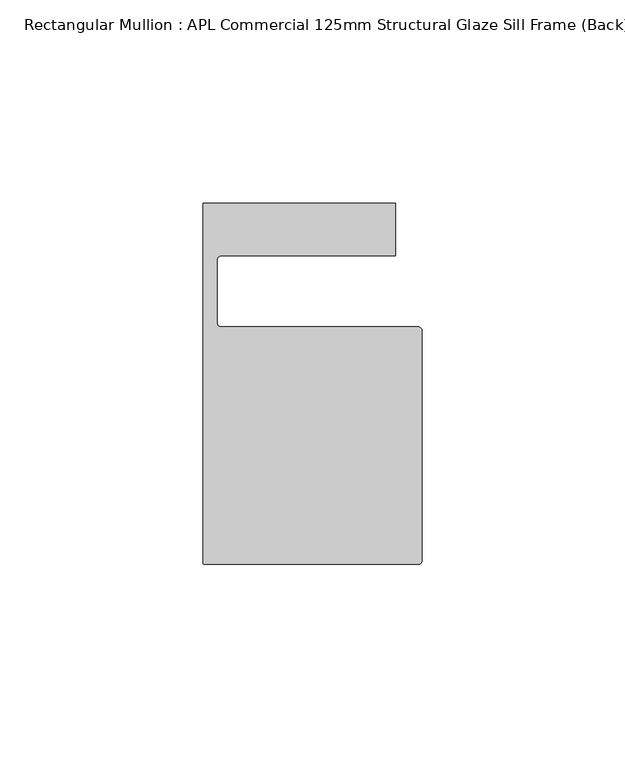
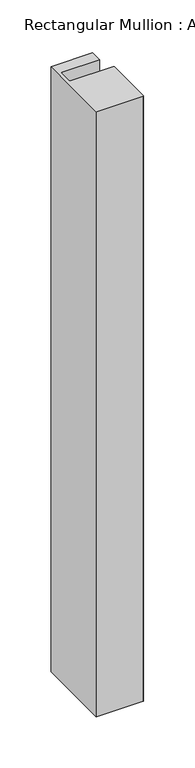
"""IFC4 building model written with IfcOpenShell, lengths in millimetres: member geometry, Rectangular Mullion : APL Commercial 125mm Structural Glaze Sill Frame (Back)."""

from ifc_helpers import new_model, si_unit, frame, origin, place, context, project, spatial, polyline, circle_curve, source, transform, mapped, element, save
from ifc_brep_helpers import plane_surface, cylinder_surface, revolved_surface, advanced_brep


def rectangular_mullion_apl_commercial_125mm_structural_glaze_08cef2cd(model_context):
    return source(origin(), model_context, "Body", "AdvancedBrep", [
        advanced_brep(
        [(-53.5000029, -104.0, 0.0), (-1.0000025, -104.0, 0.0), (-2.5e-06, -103.0, 0.0), (0.0, -46.5010268, 0.0), (-1.0, -45.5010268, 0.0), (-49.5000004, -45.5010268, 0.0), (-50.5000004, -44.5010268, 0.0), (-50.5000029, -29.0004332, 0.0), (-49.5000029, -28.0004332, 0.0), (-6.5000029, -28.0004332, 0.0), (-6.5000029, -15.0004332, 0.0), (-54.0000029, -15.0004332, 0.0), (-54.0000029, -103.5, 0.0), (-53.5000029, -104.0, -724.000019), (-54.0000029, -103.5, -724.000019), (-54.0000029, -15.0004332, -724.000019), (-6.5000029, -15.0004332, -724.000019), (-6.5000029, -28.0004332, -724.000019), (-49.5000029, -28.0004332, -724.000019), (-50.5000029, -29.0004332, -724.000019), (-50.5000029, -44.5010268, -724.000019), (-49.5000004, -45.5010268, -724.000019), (-1.0, -45.5010268, -724.000019), (0.0, -46.5010268, -724.000019), (0.0, -103.0, -724.000019), (-1.0000025, -104.0, -724.000019)],
        [
            (0, 1),
            (1, 2, circle_curve(frame((-1.0000025, -103.0, 0.0), z_axis=(0.0, 0.0, 1.0), x_axis=(0.9999999999996143, -8.78371761103865e-07, 0.0)), 1.0)),
            (2, 3),
            (3, 4, circle_curve(frame((-1.0, -46.5010268, 0.0), z_axis=(0.0, 0.0, 1.0), x_axis=(0.0, 1.0, 0.0)), 1.0)),
            (4, 5),
            (5, 6, circle_curve(frame((-49.5000004, -44.5010268, 0.0), z_axis=(0.0, 0.0, -1.0), x_axis=(-0.9999999999998819, -4.863123717036027e-07, 0.0)), 1.0)),
            (6, 7),
            (7, 8, circle_curve(frame((-49.5000029, -29.0004332, 0.0), z_axis=(0.0, 0.0, -1.0), x_axis=(0.0, 1.0, 0.0)), 1.0)),
            (8, 9),
            (9, 10),
            (10, 11),
            (11, 12),
            (12, 0, circle_curve(frame((-53.5000029, -103.5, 0.0), z_axis=(0.0, 0.0, 1.0), x_axis=(0.0, -1.0, 0.0)), 0.5)),
            (13, 14, circle_curve(frame((-53.5000029, -103.5, -724.000019), z_axis=(0.0, 0.0, -1.0), x_axis=(0.0, -1.0, 0.0)), 0.5)),
            (14, 15),
            (15, 16),
            (16, 17),
            (17, 18),
            (18, 19, circle_curve(frame((-49.5000029, -29.0004332, -724.000019), z_axis=(0.0, 0.0, 1.0), x_axis=(0.0, 1.0, 0.0)), 1.0)),
            (19, 20),
            (20, 21, circle_curve(frame((-49.5000004, -44.5010268, -724.000019), z_axis=(0.0, 0.0, 1.0), x_axis=(-0.9999999999998819, -4.863123717036027e-07, 0.0)), 1.0)),
            (21, 22),
            (22, 23, circle_curve(frame((-1.0, -46.5010268, -724.000019), z_axis=(0.0, 0.0, -1.0), x_axis=(0.0, 1.0, 0.0)), 1.0)),
            (23, 24),
            (24, 25, circle_curve(frame((-1.0000025, -103.0, -724.000019), z_axis=(0.0, 0.0, -1.0), x_axis=(0.9999999999996143, -8.78371761103865e-07, 0.0)), 1.0)),
            (25, 13),
            (0, 13),
            (25, 1),
            (24, 2),
            (23, 3),
            (22, 4),
            (21, 5),
            (20, 6),
            (19, 7),
            (18, 8),
            (17, 9),
            (16, 10),
            (15, 11),
            (14, 12),
        ],
        [
            plane_surface(frame((0.0, -116.986179, 0.0), z_axis=(0.0, 0.0, 1.0), x_axis=(-1.0, 0.0, 0.0))),
            plane_surface(frame((0.0, -116.986179, -724.000019), z_axis=(0.0, 0.0, -1.0), x_axis=(-1.0, 0.0, 0.0))),
            plane_surface(frame((-53.5000029, -104.0, 0.0), z_axis=(0.0, -1.0, 0.0), x_axis=(0.0, 0.0, -1.0))),
            cylinder_surface(frame((-1.0000025, -103.0, 0.0), z_axis=(0.0, 0.0, 1.0000000000000002), x_axis=(0.9999999999996143, -8.78371761103865e-07, 0.0)), 1.0),
            plane_surface(frame((0.0, -103.0, 0.0), z_axis=(1.0, 0.0, 0.0), x_axis=(0.0, 0.0, -1.0))),
            cylinder_surface(frame((-1.0, -46.5010268, 0.0), z_axis=(0.0, 0.0, 1.0), x_axis=(0.0, 1.0, 0.0)), 1.0),
            plane_surface(frame((-1.0, -45.5010268, 0.0), z_axis=(0.0, 1.0, 0.0), x_axis=(0.0, 0.0, -1.0))),
            revolved_surface(polyline([(-50.50000039999988, -44.50102728631237, -724.0000190000002), (-50.50000039999988, -44.50102728631237, 0.0)]), (-49.5000004, -44.5010268, 0.0), (0.0, 0.0, -1.0000000000000002)),
            plane_surface(frame((-50.5000029, -44.5010268, 0.0), z_axis=(1.0, 0.0, 0.0), x_axis=(0.0, 0.0, -1.0))),
            revolved_surface(polyline([(-49.5000029, -28.0004332, -724.000019), (-49.5000029, -28.0004332, 0.0)]), (-49.5000029, -29.0004332, 0.0), (0.0, 0.0, -1.0)),
            plane_surface(frame((-49.5000029, -28.0004332, 0.0), z_axis=(0.0, -1.0, 0.0), x_axis=(0.0, 0.0, -1.0))),
            plane_surface(frame((-6.5000029, -28.0004332, 0.0), z_axis=(1.0, 0.0, 0.0), x_axis=(0.0, 0.0, -1.0))),
            plane_surface(frame((-6.5000029, -15.0004332, 0.0), z_axis=(0.0, 1.0, 0.0), x_axis=(0.0, 0.0, -1.0))),
            plane_surface(frame((-54.0000029, -15.0004332, 0.0), z_axis=(-1.0, 0.0, 0.0), x_axis=(0.0, 0.0, -1.0))),
            cylinder_surface(frame((-53.5000029, -103.5, 0.0), z_axis=(0.0, 0.0, 1.0), x_axis=(0.0, -1.0, 0.0)), 0.5),
        ],
        [
            (0, [[1, 2, 3, 4, 5, 6, 7, 8, 9, 10, 11, 12, 13]]),
            (1, [[14, 15, 16, 17, 18, 19, 20, 21, 22, 23, 24, 25, 26]]),
            (2, [[-1, 27, -26, 28]]),
            (3, [[-2, -28, -25, 29]]),
            (4, [[-3, -29, -24, 30]]),
            (5, [[-4, -30, -23, 31]]),
            (6, [[-5, -31, -22, 32]]),
            (7, [[-6, -32, -21, 33]]),
            (8, [[-7, -33, -20, 34]]),
            (9, [[-8, -34, -19, 35]]),
            (10, [[-9, -35, -18, 36]]),
            (11, [[-10, -36, -17, 37]]),
            (12, [[-11, -37, -16, 38]]),
            (13, [[-12, -38, -15, 39]]),
            (14, [[-13, -39, -14, -27]]),
        ],
    ),
    ])


if __name__ == "__main__":
    model = new_model("IFC4")
    model_context = context("Model", 3, world=origin())
    ifc_project = project(units=[si_unit("LENGTHUNIT", "METRE", prefix="MILLI")], contexts=[model_context])
    site = spatial("IfcSite", under=ifc_project)
    building = spatial("IfcBuilding", under=site)
    placement = place(None, origin())
    rectangular_mullion_apl_commercial_125mm_structural_glaze_shape = rectangular_mullion_apl_commercial_125mm_structural_glaze_08cef2cd(model_context)
    element("IfcMember", 1, ObjectType="Rectangular Mullion : APL Commercial 125mm Structural Glaze Sill Frame (Back)", at=placement, inside=building, context=model_context, shape_type="MappedRepresentation", body=[
        mapped(rectangular_mullion_apl_commercial_125mm_structural_glaze_shape, transform((0.0, 0.0, 0.0), x_axis=(1.0, 0.0, 0.0), y_axis=(0.0, 1.0, 0.0), z_axis=(0.0, 0.0, 1.0))),
    ])
    save(model, "model.ifc")
